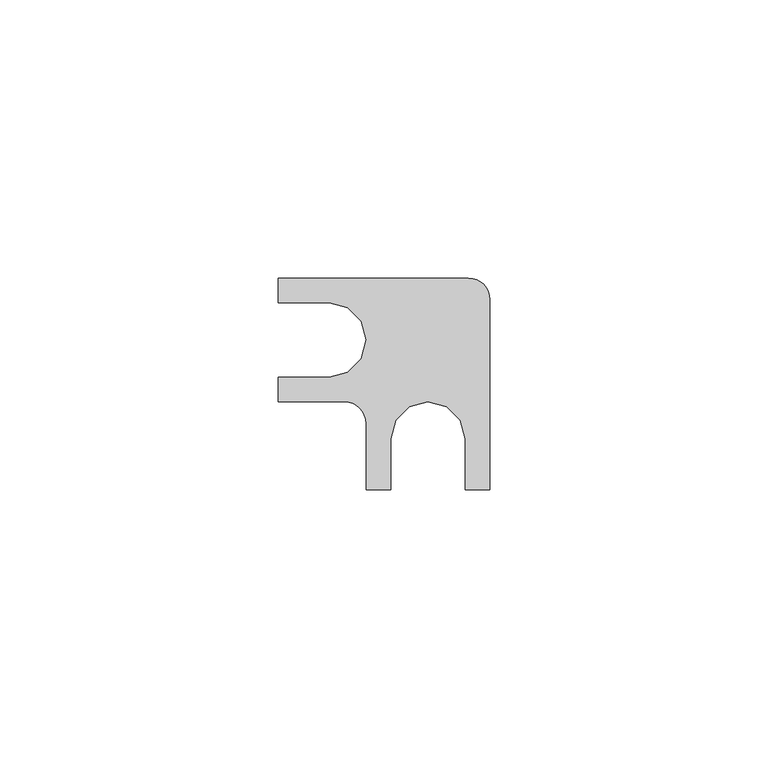
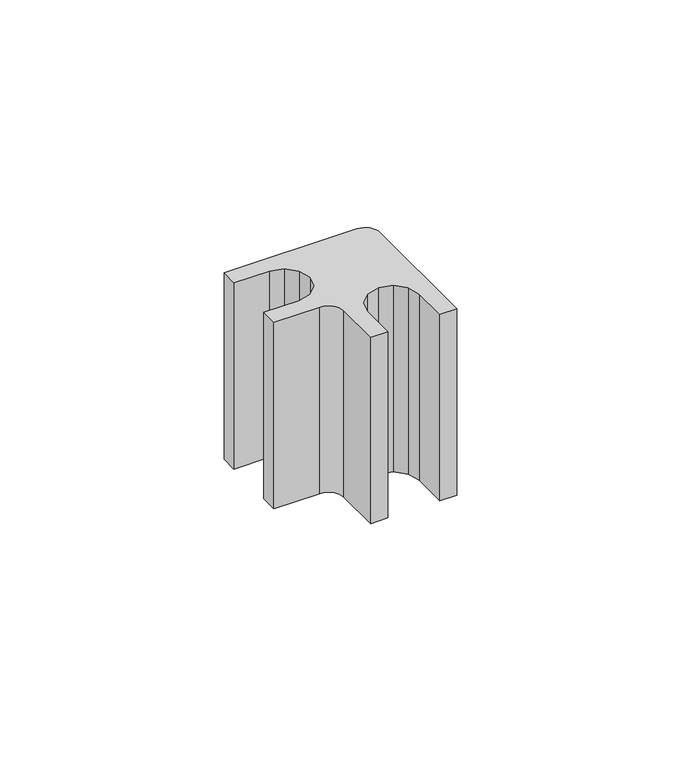
"""IFC4 building model written with IfcOpenShell, lengths in millimetres: furniture geometry."""

from ifc_helpers import new_model, si_unit, point, frame, frame_2d, origin, place, context, project, spatial, polyline, circle_curve, trimmed, segment, composite_curve, outline, extrude, source, transform, mapped, element, save


def furniture_f3ed836f(model_context):
    return source(origin(), model_context, "Body", "SweptSolid", [
        extrude(outline(composite_curve([segment(trimmed(circle_curve(frame_2d((33.9463404, -17.8161199)), 3.8393797), [point((33.9463404, -13.9767402))], [point((37.7857201, -17.8161199))], False, "CARTESIAN"), True, "CONTINUOUS"), segment(polyline([(37.7857201, -17.8161199), (37.7857201, -52.0132391), (33.3407206, -52.0132391), (33.3407206, -42.8692376), (32.4474441, -39.5354885), (30.0069692, -37.0950147), (26.6732201, -36.2017394), (23.3394711, -37.0950147), (20.898995, -39.5354885), (20.0057197, -42.8692376), (20.0057197, -52.0132391), (15.5607194, -52.0132391), (15.5607194, -40.111334)]), True, "CONTINUOUS"), segment(trimmed(circle_curve(frame_2d((11.6511248, -40.111334)), 3.9095946), [point((15.5607194, -40.111334))], [point((11.6511248, -36.2017394))], True, "CARTESIAN"), True, "CONTINUOUS"), segment(polyline([(11.6511248, -36.2017394), (-0.2507814, -36.2017394), (-0.2507814, -31.7567391), (8.8932189, -31.7567391), (12.226968, -30.8634638), (14.6674441, -28.4229878), (15.5607194, -25.0892387), (14.6674441, -21.7554896), (12.226968, -19.3150135), (8.8932189, -18.4217405), (-0.2507814, -18.4217405), (-0.2507814, -13.9767402), (33.9463404, -13.9767402)]), True, "CONTINUOUS")], self_intersect=False)), frame((0.0, 0.0, 1068.5526179), z_axis=(0.0, 0.0, 1.0), x_axis=(1.0, 0.0, 0.0)), (0.0, 0.0, 1.0), 50.8000969),
    ])


if __name__ == "__main__":
    model = new_model("IFC4")
    model_context = context("Model", 3, world=origin())
    ifc_project = project(units=[si_unit("LENGTHUNIT", "METRE", prefix="MILLI")], contexts=[model_context])
    site = spatial("IfcSite", under=ifc_project)
    building = spatial("IfcBuilding", under=site)
    placement = place(None, origin())
    furniture_shape = furniture_f3ed836f(model_context)
    element("IfcFurniture", 1, at=placement, inside=building, context=model_context, shape_type="MappedRepresentation", body=[
        mapped(furniture_shape, transform((0.0, 0.0, 0.0), x_axis=(1.0, 0.0, 0.0), y_axis=(0.0, 1.0, 0.0), z_axis=(0.0, 0.0, 1.0))),
    ])
    save(model, "model.ifc")
